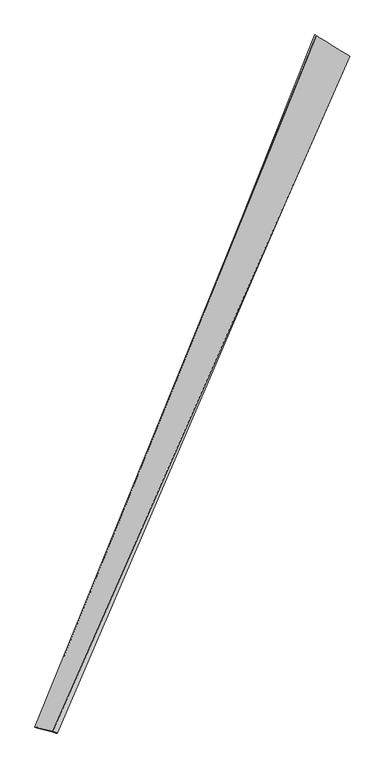
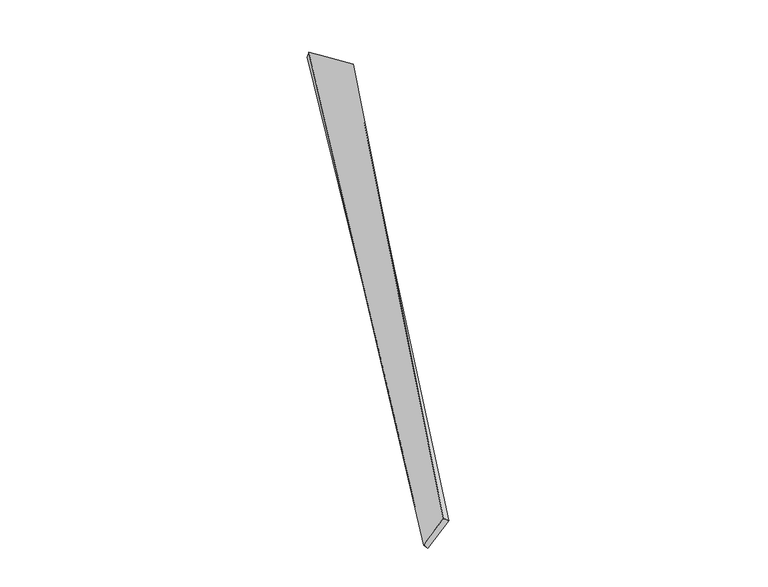
"""IFC4 building model written with IfcOpenShell, lengths in millimetres: proxy geometry."""

from ifc_helpers import new_model, si_unit, origin, place, context, project, spatial, source, transform, mapped, element, save
from ifc_brep_helpers import spline_surface, advanced_brep


def generic_models_aed1ebdb(model_context):
    return source(origin(), model_context, "Body", "AdvancedBrep", [
        advanced_brep(
        [(-673.8950926, -1707.2009013, 70.2427053), (-650.0378272, -1718.1026491, 55.6830768), (957.3189941, 2021.2659997, -61.4999276), (965.6446033, 2018.3954639, -32.8216387), (-752.4573383, -1692.3449534, -90.2991877), (773.3743555, 2137.3129608, 3.5153505), (-772.8184169, -1684.6089368, -69.6695846), (781.0689063, 2133.4143741, 32.248518)],
        [
            (0, 1),
            (1, 2),
            (2, 3),
            (3, 0),
            (1, 4),
            (4, 5),
            (5, 2),
            (4, 6),
            (6, 7),
            (7, 5),
            (6, 0),
            (3, 7),
        ],
        [
            spline_surface(1, 1, [[(-673.8950926, -1707.2009013, 70.2427053), (965.6446033, 2018.3954639, -32.8216387)], [(-650.0378272, -1718.1026491, 55.6830768), (957.3189941, 2021.2659997, -61.4999276)]], [2, 2], [2, 2], [0.0, 1.0], [0.0, 1.0]),
            spline_surface(1, 1, [[(-650.0378272, -1718.1026491, 55.6830768), (957.3189941, 2021.2659997, -61.4999276)], [(-752.4573383, -1692.3449534, -90.2991877), (773.3743555, 2137.3129608, 3.5153505)]], [2, 2], [2, 2], [0.0, 1.0], [0.0, 1.0]),
            spline_surface(1, 1, [[(-752.4573383, -1692.3449534, -90.2991877), (773.3743555, 2137.3129608, 3.5153505)], [(-772.8184169, -1684.6089368, -69.6695846), (781.0689063, 2133.4143741, 32.248518)]], [2, 2], [2, 2], [0.0, 1.0], [0.0, 1.0]),
            spline_surface(1, 1, [[(-772.8184169, -1684.6089368, -69.6695846), (781.0689063, 2133.4143741, 32.248518)], [(-673.8950926, -1707.2009013, 70.2427053), (965.6446033, 2018.3954639, -32.8216387)]], [2, 2], [2, 2], [0.0, 1.0], [0.0, 1.0]),
            spline_surface(1, 1, [[(957.3189941, 2021.2659997, -61.4999276), (965.6446033, 2018.3954639, -32.8216387)], [(773.3743555, 2137.3129608, 3.5153505), (781.0689063, 2133.4143741, 32.248518)]], [2, 2], [2, 2], [0.0, 1.0], [0.0, 1.0]),
            spline_surface(1, 1, [[(-772.8184169, -1684.6089368, -69.6695846), (-673.8950926, -1707.2009013, 70.2427053)], [(-752.4573383, -1692.3449534, -90.2991877), (-650.0378272, -1718.1026491, 55.6830768)]], [2, 2], [2, 2], [0.0, 1.0], [0.0, 1.0]),
        ],
        [
            (0, [[1, 2, 3, 4]]),
            (1, [[5, 6, 7, -2]]),
            (2, [[8, 9, 10, -6]]),
            (3, [[11, -4, 12, -9]]),
            (4, [[-3, -7, -10, -12]]),
            (5, [[-11, -8, -5, -1]]),
        ],
    ),
    ])


if __name__ == "__main__":
    model = new_model("IFC4")
    model_context = context("Model", 3, world=origin())
    ifc_project = project(units=[si_unit("LENGTHUNIT", "METRE", prefix="MILLI")], contexts=[model_context])
    site = spatial("IfcSite", under=ifc_project)
    building = spatial("IfcBuilding", under=site)
    placement = place(None, origin())
    generic_models_shape = generic_models_aed1ebdb(model_context)
    element("IfcBuildingElementProxy", 1, Name="Generic Models", at=placement, inside=building, context=model_context, shape_type="MappedRepresentation", body=[
        mapped(generic_models_shape, transform((0.0, 0.0, 0.0), x_axis=(1.0, 0.0, 0.0), y_axis=(0.0, 1.0, 0.0), z_axis=(0.0, 0.0, 1.0))),
    ])
    save(model, "model.ifc")
